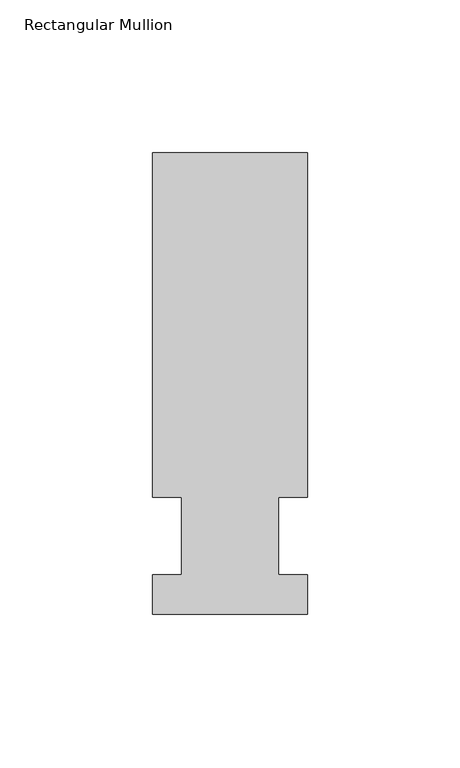
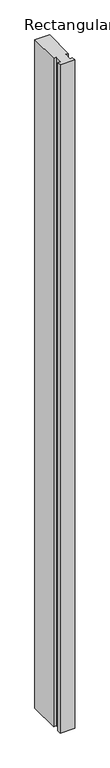
"""IFC4 building model written with IfcOpenShell, lengths in millimetres: member geometry, Rectangular Mullion."""

from ifc_helpers import new_model, si_unit, frame, origin, place, context, project, spatial, polyline, outline, extrude, source, transform, mapped, element, save


def rectangular_mullion_783f9860(model_context):
    return source(origin(), model_context, "Body", "SweptSolid", [
        extrude(outline(polyline([(-25.4, -25.5984375), (-25.4, -12.7), (-15.875, -12.7), (-15.875, 12.7), (-25.4, 12.7), (-25.4, 125.6109375), (25.4, 125.6109375), (25.4, 12.7), (15.875, 12.7), (15.875, -12.7), (25.4, -12.7), (25.4, -25.5984375), (-25.4, -25.5984375)])), frame((0.0, 0.0, -2457.45), z_axis=(0.0, 0.0, 1.0), x_axis=(1.0, 0.0, 0.0)), (0.0, 0.0, 1.0), 2457.45),
    ])


if __name__ == "__main__":
    model = new_model("IFC4")
    model_context = context("Model", 3, world=origin())
    ifc_project = project(units=[si_unit("LENGTHUNIT", "METRE", prefix="MILLI")], contexts=[model_context])
    site = spatial("IfcSite", under=ifc_project)
    building = spatial("IfcBuilding", under=site)
    placement = place(None, origin())
    rectangular_mullion_shape = rectangular_mullion_783f9860(model_context)
    element("IfcMember", 1, ObjectType="Rectangular Mullion", at=placement, inside=building, context=model_context, shape_type="MappedRepresentation", body=[
        mapped(rectangular_mullion_shape, transform((0.0, 0.0, 0.0), x_axis=(1.0, 0.0, 0.0), y_axis=(0.0, 1.0, 0.0), z_axis=(0.0, 0.0, 1.0))),
    ])
    save(model, "model.ifc")
